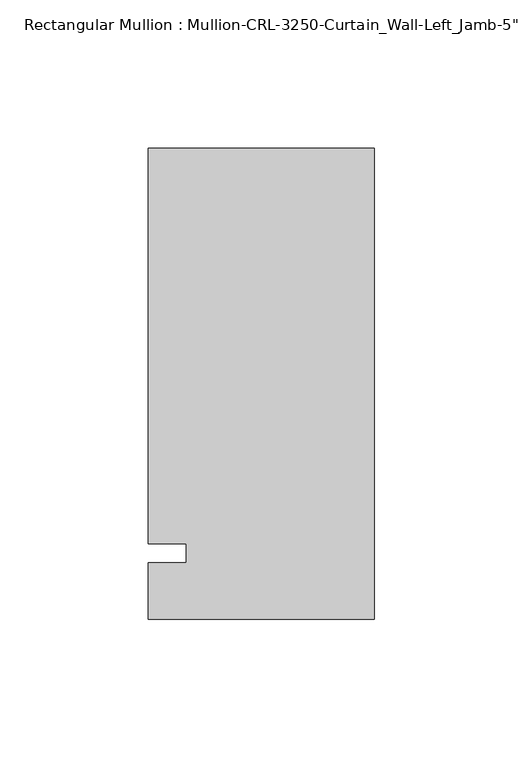
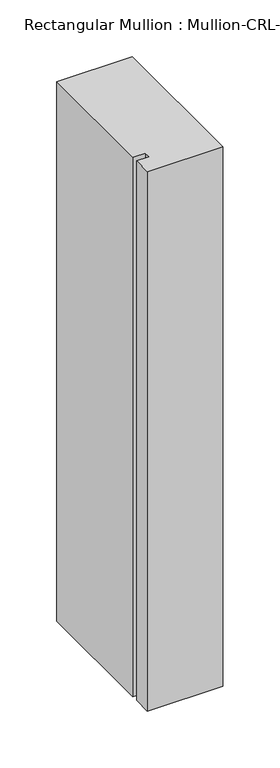
"""IFC4 building model written with IfcOpenShell, lengths in millimetres: member geometry."""

from ifc_helpers import new_model, si_unit, frame, origin, place, context, project, spatial, polyline, outline, extrude, source, transform, mapped, element, save


def member_3ef6bbb1(model_context):
    return source(origin(), model_context, "Body", "SweptSolid", [
        extrude(outline(polyline([(-76.199997, -3.175), (-63.499997, -3.175), (-63.499997, 3.175), (-76.199997, 3.175), (-76.199997, 136.5240673), (0.0, 136.5240673), (0.0, -22.2254168), (-76.199997, -22.2254168), (-76.199997, -3.175)])), frame((0.0, 0.0, -577.85), z_axis=(0.0, 0.0, 1.0), x_axis=(1.0, 0.0, 0.0)), (0.0, 0.0, 1.0), 577.85),
    ])


if __name__ == "__main__":
    model = new_model("IFC4")
    model_context = context("Model", 3, world=origin())
    ifc_project = project(units=[si_unit("LENGTHUNIT", "METRE", prefix="MILLI")], contexts=[model_context])
    site = spatial("IfcSite", under=ifc_project)
    building = spatial("IfcBuilding", under=site)
    placement = place(None, origin())
    member_shape = member_3ef6bbb1(model_context)
    element("IfcMember", 1, ObjectType="Rectangular Mullion : Mullion-CRL-3250-Curtain_Wall-Left_Jamb-5\"", at=placement, inside=building, context=model_context, shape_type="MappedRepresentation", body=[
        mapped(member_shape, transform((0.0, 0.0, 0.0), x_axis=(1.0, 0.0, 0.0), y_axis=(0.0, 1.0, 0.0), z_axis=(0.0, 0.0, 1.0))),
    ])
    save(model, "model.ifc")
